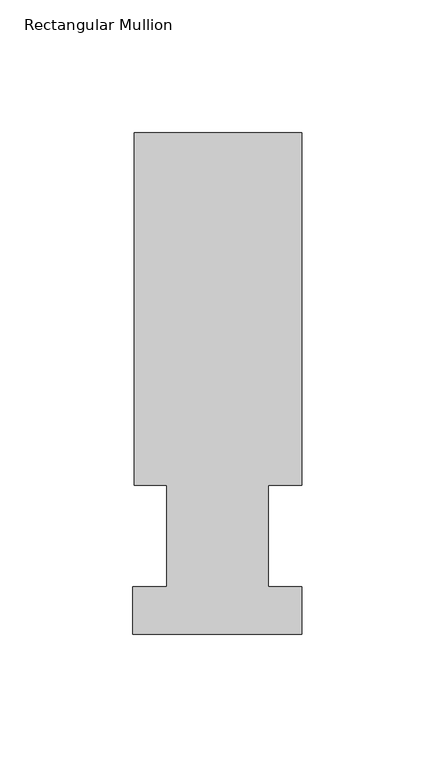
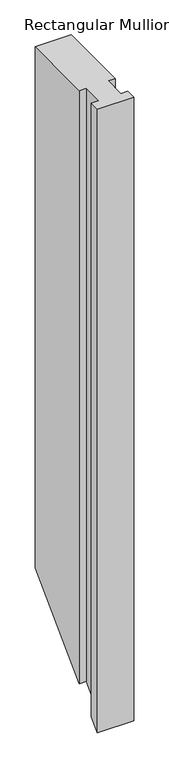
"""IFC4 building model written with IfcOpenShell, lengths in millimetres: member geometry, Rectangular Mullion."""

from ifc_helpers import new_model, si_unit, origin, place, context, project, spatial, faceted_brep, source, transform, mapped, element, save


def rectangular_mullion_5b0cfa11(model_context):
    return source(origin(), model_context, "Body", "Brep", [
        faceted_brep([(-63.0936, 189.0895062, 0.0), (-63.0936, 56.6539062, 0.0), (-50.8, 56.6539062, 0.0), (-50.8, 18.5539063, 0.0), (-63.5, 18.5539063, 0.0), (-63.5, 0.5199062, 0.0), (0.0, 0.5199062, 0.0), (0.0, 18.5539062, 0.0), (-12.6746, 18.5539063, 0.0), (-12.6746, 56.6539062, 0.0), (0.0, 56.6539062, 0.0), (0.0, 189.0895062, 0.0), (-63.0936, 189.0895062, -959.6756107), (-63.0936, 56.6539062, -1092.1112107), (-50.8, 56.6539062, -1092.1112107), (-50.8, 18.5539063, -1130.2112107), (-63.5, 18.5539063, -1130.2112107), (-63.5, 0.5199062, -1148.2452107), (0.0, 0.5199062, -1148.2452107), (0.0, 18.5539062, -1130.2112107), (-12.6746, 18.5539062, -1130.2112107), (-12.6746, 56.6539062, -1092.1112107), (0.0, 56.6539062, -1092.1112107), (0.0, 189.0895062, -959.6756107)], [[[0, 1, 2, 3, 4, 5, 6, 7, 8, 9, 10, 11]], [[1, 0, 12, 13]], [[2, 1, 13, 14]], [[3, 2, 14, 15]], [[4, 3, 15, 16]], [[5, 4, 16, 17]], [[6, 5, 17, 18]], [[7, 6, 18, 19]], [[8, 7, 19, 20]], [[9, 8, 20, 21]], [[10, 9, 21, 22]], [[11, 10, 22, 23]], [[0, 11, 23, 12]], [[12, 23, 22, 21, 20, 19, 18, 17, 16, 15, 14, 13]]]),
    ])


if __name__ == "__main__":
    model = new_model("IFC4")
    model_context = context("Model", 3, world=origin())
    ifc_project = project(units=[si_unit("LENGTHUNIT", "METRE", prefix="MILLI")], contexts=[model_context])
    site = spatial("IfcSite", under=ifc_project)
    building = spatial("IfcBuilding", under=site)
    placement = place(None, origin())
    rectangular_mullion_shape = rectangular_mullion_5b0cfa11(model_context)
    element("IfcMember", 1, ObjectType="Rectangular Mullion", at=placement, inside=building, context=model_context, shape_type="MappedRepresentation", body=[
        mapped(rectangular_mullion_shape, transform((0.0, 0.0, 0.0), x_axis=(1.0, 0.0, 0.0), y_axis=(0.0, 1.0, 0.0), z_axis=(0.0, 0.0, 1.0))),
    ])
    save(model, "model.ifc")
